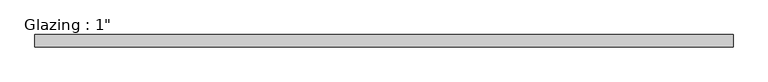
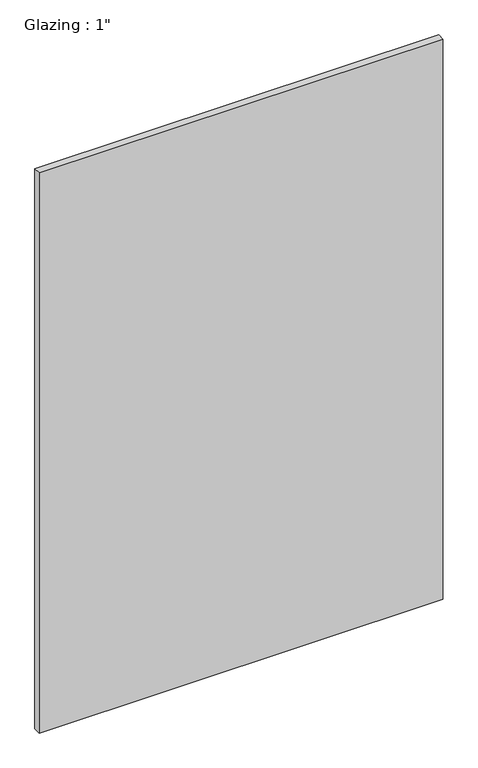
"""IFC4 building model written with IfcOpenShell, lengths in millimetres: plate geometry."""

from ifc_helpers import new_model, si_unit, origin, origin_with_axes, place, context, project, spatial, polyline, outline, extrude, source, transform, mapped, element, save


def plate_c37a1fef(model_context):
    return source(origin(), model_context, "Body", "SweptSolid", [
        extrude(outline(polyline([(713.8402241, -12.7), (-713.8402241, -12.7), (-713.8402241, 12.7), (713.8402241, 12.7), (713.8402241, -12.7)])), origin_with_axes(), (0.0, 0.0, 1.0), 2094.5428768),
    ])


if __name__ == "__main__":
    model = new_model("IFC4")
    model_context = context("Model", 3, world=origin())
    ifc_project = project(units=[si_unit("LENGTHUNIT", "METRE", prefix="MILLI")], contexts=[model_context])
    site = spatial("IfcSite", under=ifc_project)
    building = spatial("IfcBuilding", under=site)
    placement = place(None, origin())
    plate_shape = plate_c37a1fef(model_context)
    element("IfcPlate", 1, ObjectType="Glazing : 1\"", at=placement, inside=building, context=model_context, shape_type="MappedRepresentation", body=[
        mapped(plate_shape, transform((0.0, 0.0, 0.0), x_axis=(1.0, 0.0, 0.0), y_axis=(0.0, 1.0, 0.0), z_axis=(0.0, 0.0, 1.0))),
    ])
    save(model, "model.ifc")
